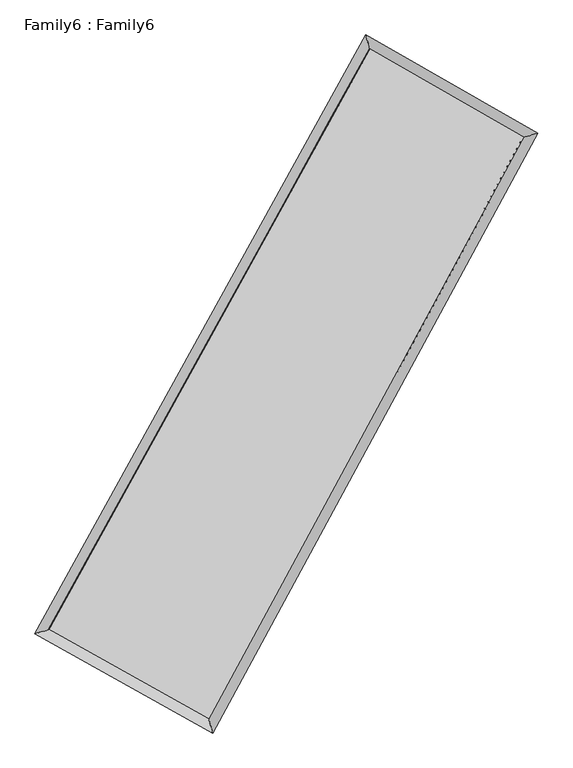
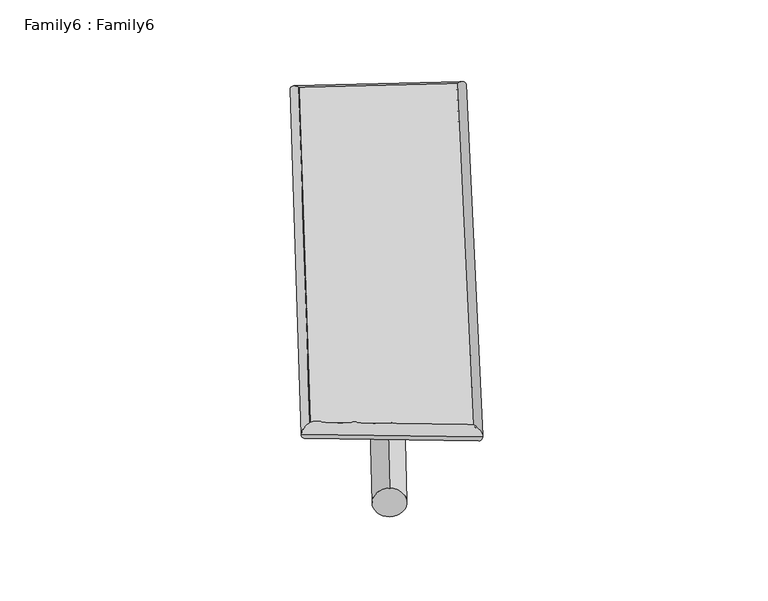
"""IFC4 building model written with IfcOpenShell, lengths in millimetres: plate geometry, Family6 : Family6."""

from ifc_helpers import new_model, si_unit, point, frame, origin, origin_2d, place, context, project, spatial, circle_curve, ellipse_curve, trimmed, segment, composite_curve, outline, extrude, source, transform, mapped, element, save
from ifc_brep_helpers import plane_surface, cylinder_surface, spline_surface, advanced_brep


def family6_family6_e8e65621(model_context):
    return source(origin(), model_context, "Body", "SolidModel", [
        extrude(outline(composite_curve([segment(trimmed(circle_curve(origin_2d(), 76.2), [point((-75.4341514, -10.7763074))], [point((75.4341514, 10.7763074))], False, "CARTESIAN"), True, "CONTINUOUS"), segment(trimmed(circle_curve(origin_2d(), 76.2), [point((75.4341514, 10.7763074))], [point((-75.4341514, -10.7763074))], False, "CARTESIAN"), True, "CONTINUOUS")], self_intersect=False)), frame((9144.0, 9144.0, 0.0), z_axis=(0.6644316396879332, 0.6925950411098686, 0.28078943215802177), x_axis=(-0.6849916833275496, 0.7146205956470234, -0.1417878628415834)), (0.0, 0.0, 1.0), 5561.8666858),
        extrude(outline(composite_curve([segment(trimmed(circle_curve(origin_2d(), 76.2), [point((-53.8815367, 53.8815367))], [point((53.8815367, -53.8815367))], False, "CARTESIAN"), True, "CONTINUOUS"), segment(trimmed(circle_curve(origin_2d(), 76.2), [point((53.8815367, -53.8815367))], [point((-53.8815367, 53.8815367))], False, "CARTESIAN"), True, "CONTINUOUS")], self_intersect=False)), frame((9144.0, 9144.0, 0.0), z_axis=(-0.6700774361840311, -0.6877056619915454, 0.27938710060023597), x_axis=(0.645779178491531, -0.35449627389858457, 0.6762408183619377)), (0.0, 0.0, 1.0), 5587.2229687),
        extrude(outline(composite_curve([segment(trimmed(circle_curve(origin_2d(), 76.2), [point((-53.8815367, -53.8815367))], [point((53.8815367, 53.8815367))], False, "CARTESIAN"), True, "CONTINUOUS"), segment(trimmed(circle_curve(origin_2d(), 76.2), [point((53.8815367, 53.8815367))], [point((-53.8815367, -53.8815367))], False, "CARTESIAN"), True, "CONTINUOUS")], self_intersect=False)), frame((9144.0, 9144.0, 0.0), z_axis=(0.22836852670420033, 0.93674982833608, 0.26523117298552507), x_axis=(-0.8467744173791151, 0.3255509101519635, -0.4207014273466261)), (0.0, 0.0, 1.0), 5592.8600656),
        extrude(outline(composite_curve([segment(trimmed(circle_curve(origin_2d(), 76.2), [point((-75.4341514, 10.7763074))], [point((75.4341514, -10.7763074))], False, "CARTESIAN"), True, "CONTINUOUS"), segment(trimmed(circle_curve(origin_2d(), 76.2), [point((75.4341514, -10.7763074))], [point((-75.4341514, 10.7763074))], False, "CARTESIAN"), True, "CONTINUOUS")], self_intersect=False)), frame((9144.0, 9144.0, 0.0), z_axis=(-0.22066273993771388, -0.9385165961087581, 0.265508105397201), x_axis=(0.8943410528710917, -0.08607450636514807, 0.4390276306833357)), (0.0, 0.0, 1.0), 5590.5847187),
        advanced_brep(
        [(5193.6510397, 5242.8633003, 1555.5867236), (5193.4870994, 5242.6461793, 1567.7094017), (5606.6048757, 5360.4069589, 1566.4093277), (10479.5948421, 14173.992238, 1491.1011417), (10362.8715844, 14592.2291748, 1475.7005295), (5606.768816, 5360.6240798, 1554.2866496), (12634.6472092, 12937.9585128, 1560.8903953), (13044.3131943, 13054.2840591, 1562.5363816), (7849.9430102, 4105.5561966, 1485.7892324), (7970.789506, 3688.7307226, 1482.901881)],
        [
            (0, 1, ellipse_curve(frame((5400.1279577, 5301.6351296, 1560.9980256), z_axis=(-0.27406942243695803, 0.9616149212970824, 0.013516464917961872), x_axis=(-0.9613318797620964, -0.27432866444381343, 0.024182655303911484)), 215.0056967, 152.4)),
            (1, 2, ellipse_curve(frame((5400.1279577, 5301.6351296, 1560.9980256), z_axis=(-0.27406942243695803, 0.9616149212970824, 0.013516464917961872), x_axis=(-0.9613318797620964, -0.27432866444381343, 0.024182655303911484)), 215.0056967, 152.4)),
            (2, 3),
            (3, 4, ellipse_curve(frame((10421.2332133, 14383.1107064, 1483.4008356), z_axis=(-0.9629487273872817, -0.26928439088734657, -0.014685545534482793), x_axis=(0.2688767589721531, -0.962851489596645, 0.024945890766863123)), 217.2585663, 152.4)),
            (4, 0),
            (2, 5, ellipse_curve(frame((5400.1279577, 5301.6351296, 1560.9980256), z_axis=(-0.27406942243695803, 0.9616149212970824, 0.013516464917961872), x_axis=(-0.9613318797620964, -0.27432866444381343, 0.024182655303911484)), 215.0056967, 152.4)),
            (5, 0, ellipse_curve(frame((5400.1279577, 5301.6351296, 1560.9980256), z_axis=(-0.27406942243695803, 0.9616149212970824, 0.013516464917961872), x_axis=(-0.9613318797620964, -0.27432866444381343, 0.024182655303911484)), 215.0056967, 152.4)),
            (4, 3, ellipse_curve(frame((10421.2332133, 14383.1107064, 1483.4008356), z_axis=(-0.9629487273872817, -0.26928439088734657, -0.014685545534482793), x_axis=(0.2688767589721531, -0.962851489596645, 0.024945890766863123)), 217.2585663, 152.4)),
            (3, 6),
            (6, 7, ellipse_curve(frame((12839.4802018, 12996.1212859, 1561.7133885), z_axis=(-0.273071752216792, 0.9618859274893238, -0.01439724415484452), x_axis=(-0.9615738929497032, -0.27336410088910135, -0.0254502798146829)), 212.979527, 152.4)),
            (7, 4),
            (7, 6, ellipse_curve(frame((12839.4802018, 12996.1212859, 1561.7133885), z_axis=(-0.273071752216792, 0.9618859274893238, -0.01439724415484452), x_axis=(-0.9615738929497032, -0.27336410088910135, -0.0254502798146829)), 212.979527, 152.4)),
            (6, 8),
            (8, 9, ellipse_curve(frame((7910.3662581, 3897.1434596, 1484.3455567), z_axis=(0.9603347141816062, 0.2785158054156648, -0.013644884440561717), x_axis=(-0.2781477785388135, 0.9602394684093578, 0.023957808807099166)), 217.0332327, 152.4)),
            (9, 7),
            (9, 8, ellipse_curve(frame((7910.3662581, 3897.1434596, 1484.3455567), z_axis=(0.9603347141816062, 0.2785158054156648, -0.013644884440561717), x_axis=(-0.2781477785388135, 0.9602394684093578, 0.023957808807099166)), 217.0332327, 152.4)),
            (8, 5),
            (1, 9),
        ],
        [
            cylinder_surface(frame((5400.1279577, 5301.6351296, 1560.9980256), z_axis=(-0.4838493803910807, -0.87511934270495, 0.007477507527487055), x_axis=(-0.874492263693202, 0.4831358487691519, -0.04293055292970772)), 152.4),
            cylinder_surface(frame((10421.2332133, 14383.1107064, 1483.4008356), z_axis=(-0.8671066581656883, 0.49733040793435396, -0.028080397229765876), x_axis=(0.4979421831047058, 0.8669311262617927, -0.022000104622009384)), 152.4),
            cylinder_surface(frame((12839.4802018, 12996.1212859, 1561.7133885), z_axis=(0.47630726427732195, 0.8792471194041233, 0.007476163200794506), x_axis=(0.8792768616427186, -0.47630726427732195, -0.0018948816282290607)), 152.4),
            cylinder_surface(frame((7910.3662581, 3897.1434596, 1484.3455567), z_axis=(0.8723802948293319, -0.4881014113175548, -0.026638946362409408), x_axis=(-0.48779196289069043, -0.8727838979977248, 0.017529071143226667)), 152.4),
        ],
        [
            (0, [[1, 2, 3, 4, 5]]),
            (0, [[6, 7, -5, 8, -3]]),
            (1, [[-4, 9, 10, 11]]),
            (1, [[-8, -11, 12, -9]]),
            (2, [[-10, 13, 14, 15]]),
            (2, [[-12, -15, 16, -13]]),
            (3, [[-14, 17, -6, -2, 18]]),
            (3, [[-16, -18, -1, -7, -17]]),
        ],
    ),
        extrude(outline(composite_curve([segment(trimmed(circle_curve(origin_2d(), 304.8), [point((0.0, -304.8))], [point((-1e-07, 304.8))], False, "CARTESIAN"), True, "CONTINUOUS"), segment(trimmed(circle_curve(origin_2d(), 304.8), [point((-1e-07, 304.8))], [point((0.0, -304.8))], False, "CARTESIAN"), True, "CONTINUOUS")], self_intersect=False)), frame((6610.3080497, 4601.9964283, -0.0619036), z_axis=(0.4871638601037259, 0.8733105823629808, 1.1902476080454351e-05), x_axis=(-0.8733105824386056, 0.4871638601037259, 3.0952989038434167e-06)), (0.0, 0.0, 1.0), 10401.8058717),
        advanced_brep(
        [(5400.1279577, 5301.6351296, 1560.9980256), (7910.3662581, 3897.1434596, 1484.3455567), (7910.3862751, 3897.1363142, 1636.7455552), (5400.1479747, 5301.6279842, 1713.3980242), (12839.4802018, 12996.1212859, 1561.7133885), (12839.5002188, 12996.1141405, 1714.113387), (10421.2332133, 14383.1107064, 1483.4008356), (10421.2532303, 14383.103561, 1635.8008341)],
        [
            (0, 1),
            (1, 2),
            (2, 3),
            (3, 0),
            (1, 4),
            (4, 5),
            (5, 2),
            (4, 6),
            (6, 7),
            (7, 5),
            (6, 0),
            (3, 7),
        ],
        [
            plane_surface(frame((6655.2471079, 4599.3892946, 1522.6717912), z_axis=(-0.4882741500633141, -0.8726902966350554, 2.321566785550705e-05), x_axis=(0.8723802948293318, -0.4881014113175548, -0.02663894636240944))),
            plane_surface(frame((10374.92323, 8446.6323728, 1523.0294726), z_axis=(0.8792721747702692, -0.47631966543508697, -0.00013782078249119324), x_axis=(0.47630726427732195, 0.8792471194041233, 0.007476163200794487))),
            plane_surface(frame((11630.3567075, 13689.6159962, 1522.557112), z_axis=(0.4975271998145071, 0.8674483758909184, -2.4676782905505568e-05), x_axis=(-0.8671066581656881, 0.4973304079343542, -0.028080397229765897))),
            plane_surface(frame((7910.6805855, 9842.372918, 1522.1994306), z_axis=(-0.8751433027882589, 0.48386380381491545, 0.00013763218808725752), x_axis=(-0.48384938039108094, -0.87511934270495, 0.0074775075274870345))),
            spline_surface(1, 1, [[(7910.3862751, 3897.1363142, 1636.7455552), (5400.1479747, 5301.6279842, 1713.3980242)], [(12839.5002188, 12996.1141405, 1714.113387), (10421.2532303, 14383.103561, 1635.8008341)]], [2, 2], [2, 2], [0.0, 1.0], [0.0, 1.0]),
            spline_surface(1, 1, [[(10421.2332133, 14383.1107064, 1483.4008356), (5400.1279577, 5301.6351296, 1560.9980256)], [(12839.4802018, 12996.1212859, 1561.7133885), (7910.3662581, 3897.1434596, 1484.3455567)]], [2, 2], [2, 2], [0.0, 1.0], [0.0, 1.0]),
        ],
        [
            (0, [[1, 2, 3, 4]]),
            (1, [[5, 6, 7, -2]]),
            (2, [[8, 9, 10, -6]]),
            (3, [[11, -4, 12, -9]]),
            (4, [[-3, -7, -10, -12]]),
            (5, [[-11, -8, -5, -1]]),
        ],
    ),
    ])


if __name__ == "__main__":
    model = new_model("IFC4")
    model_context = context("Model", 3, world=origin())
    ifc_project = project(units=[si_unit("LENGTHUNIT", "METRE", prefix="MILLI")], contexts=[model_context])
    site = spatial("IfcSite", under=ifc_project)
    building = spatial("IfcBuilding", under=site)
    placement = place(None, origin())
    family6_family6_shape = family6_family6_e8e65621(model_context)
    element("IfcPlate", 1, ObjectType="Family6 : Family6", at=placement, inside=building, context=model_context, shape_type="MappedRepresentation", body=[
        mapped(family6_family6_shape, transform((0.0, 0.0, 0.0), x_axis=(1.0, 0.0, 0.0), y_axis=(0.0, 1.0, 0.0), z_axis=(0.0, 0.0, 1.0))),
    ])
    save(model, "model.ifc")
